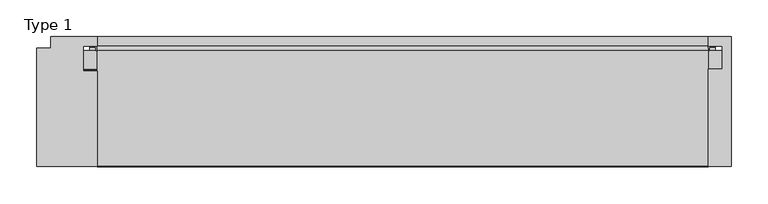
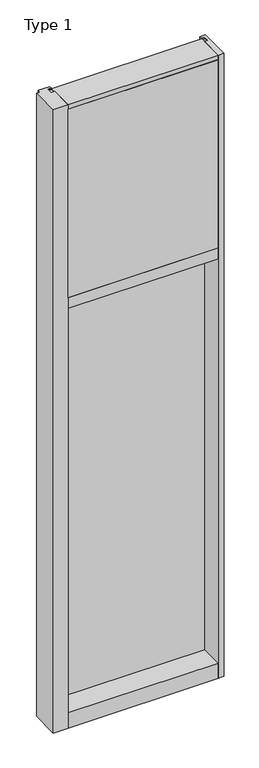
"""IFC4 building model written with IfcOpenShell, lengths in millimetres: plate geometry, Type 1."""

from ifc_helpers import new_model, si_unit, point, frame, frame_2d, origin, place, context, project, spatial, polyline, circle_curve, trimmed, segment, composite_curve, outline, extrude, source, transform, mapped, element, save


def type_1_cfc5b2bd(model_context):
    return source(origin(), model_context, "Body", "SweptSolid", [
        extrude(outline(polyline([(-417.5135892, -130.5814), (-500.0635892, -130.5814), (-500.0635892, 31.3944), (-481.0135892, 31.3944), (-481.0135892, 47.2186), (-417.5135892, 47.2186), (-417.5135892, 34.036), (-436.5635892, 34.036), (-436.5635892, 0.0), (-417.5135892, 0.0), (-417.5135892, -130.5814)])), frame((0.0, 0.0, -57.15), z_axis=(0.0, 0.0, 1.0), x_axis=(1.0, 0.0, 0.0)), (0.0, 0.0, 1.0), 3657.6),
        extrude(outline(polyline([(449.2625, -130.5814), (417.5125, -130.5814), (417.5125, 2.286), (436.5625, 2.286), (436.5625, 34.036), (417.5114108, 34.036), (417.5114108, 47.2186), (449.2625, 47.2186), (449.2625, -130.5814)])), frame((0.0, 0.0, -57.15), z_axis=(0.0, 0.0, 1.0), x_axis=(1.0, 0.0, 0.0)), (0.0, 0.0, 1.0), 3657.6),
        extrude(outline(composite_curve([segment(polyline([(-417.5890008, 34.0361122), (-417.9999462, 27.686), (-418.9664521, 27.686), (-418.9939595, 31.7563748)]), True, "CONTINUOUS"), segment(trimmed(circle_curve(frame_2d((-419.628945, 31.7520836)), 0.635), [point((-418.9939595, 31.7563748))], [point((-419.5938642, 32.3861138))], True, "CARTESIAN"), True, "CONTINUOUS"), segment(polyline([(-419.5938642, 32.3861138), (-426.3492251, 32.7598869)]), True, "CONTINUOUS"), segment(trimmed(circle_curve(frame_2d((-426.1666718, 33.7593519)), 1.016), [point((-426.3492251, 32.7598869))], [point((-427.1442504, 34.0361122))], False, "CARTESIAN"), True, "CONTINUOUS"), segment(polyline([(-427.1442504, 34.0361122), (-417.5890008, 34.0361122)]), True, "CONTINUOUS")], self_intersect=False)), frame((0.0, 0.0, 2459.3728643), z_axis=(0.0, 0.0, 1.0), x_axis=(1.0, 0.0, 0.0)), (0.0, 0.0, 1.0), 1134.7271357),
        extrude(outline(composite_curve([segment(polyline([(417.9999462, 27.686), (417.5890008, 34.0361122), (427.1442504, 34.0361122)]), True, "CONTINUOUS"), segment(trimmed(circle_curve(frame_2d((426.1666718, 33.7593519)), 1.016), [point((427.1442504, 34.0361122))], [point((426.3492251, 32.7598869))], False, "CARTESIAN"), True, "CONTINUOUS"), segment(polyline([(426.3492251, 32.7598869), (419.5938642, 32.3861138)]), True, "CONTINUOUS"), segment(trimmed(circle_curve(frame_2d((419.628945, 31.7520836)), 0.635), [point((419.5938642, 32.3861138))], [point((418.9939595, 31.7563748))], True, "CARTESIAN"), True, "CONTINUOUS"), segment(polyline([(418.9939595, 31.7563748), (418.9664521, 27.686), (417.9999462, 27.686)]), True, "CONTINUOUS")], self_intersect=False)), frame((0.0, 0.0, 2459.3728643), z_axis=(0.0, 0.0, 1.0), x_axis=(1.0, 0.0, 0.0)), (0.0, 0.0, 1.0), 1134.7271357),
        extrude(outline(polyline([(34.0361122, 2459.3728643), (27.686, 2459.3728643), (27.686, 2471.8771952), (34.0361122, 2470.1238955), (34.0361122, 2459.3728643)])), frame((-427.1442504, 0.0, 0.0), z_axis=(1.0, 0.0, 0.0), x_axis=(0.0, 1.0, 0.0)), (0.0, 0.0, 1.0), 854.2885007),
        extrude(outline(polyline([(417.5125, -48.514), (417.5125, -131.0159103), (-417.5125, -131.0159103), (-417.5125, -48.514), (417.5125, -48.514)])), frame((0.0, 0.0, 2470.15), z_axis=(0.0, 0.0, 1.0), x_axis=(1.0, 0.0, 0.0)), (0.0, 0.0, 1.0), 1104.9),
        extrude(outline(polyline([(436.5625, 27.686), (436.5625, 2.286), (-436.5625, 2.286), (-436.5625, 27.686), (436.5625, 27.686)])), frame((0.0, 0.0, 2451.1), z_axis=(0.0, 0.0, 1.0), x_axis=(1.0, 0.0, 0.0)), (0.0, 0.0, 1.0), 1143.0),
        extrude(outline(composite_curve([segment(trimmed(circle_curve(frame_2d((-419.6300342, 31.7520836)), 0.635), [point((-418.9950487, 31.7563748))], [point((-419.5949534, 32.3861138))], True, "CARTESIAN"), True, "CONTINUOUS"), segment(polyline([(-419.5949534, 32.3861138), (-426.3503143, 32.7598869)]), True, "CONTINUOUS"), segment(trimmed(circle_curve(frame_2d((-426.1677611, 33.7593519)), 1.016), [point((-426.3503143, 32.7598869))], [point((-427.1453713, 34.036))], False, "CARTESIAN"), True, "CONTINUOUS"), segment(polyline([(-427.1453713, 34.036), (-417.5900972, 34.036), (-418.0010354, 27.686), (-418.9675413, 27.686), (-418.9950487, 31.7563748)]), True, "CONTINUOUS")], self_intersect=False)), frame((0.0, 0.0, 20.9709644), z_axis=(0.0, 0.0, 1.0), x_axis=(1.0, 0.0, 0.0)), (0.0, 0.0, 1.0), 2396.4580861),
        extrude(outline(composite_curve([segment(polyline([(418.0010354, 27.686), (417.5900972, 34.036), (427.1453713, 34.036)]), True, "CONTINUOUS"), segment(trimmed(circle_curve(frame_2d((426.1677611, 33.7593519)), 1.016), [point((427.1453713, 34.036))], [point((426.3503143, 32.7598869))], False, "CARTESIAN"), True, "CONTINUOUS"), segment(polyline([(426.3503143, 32.7598869), (419.5949534, 32.3861138)]), True, "CONTINUOUS"), segment(trimmed(circle_curve(frame_2d((419.6300342, 31.7520836)), 0.635), [point((419.5949534, 32.3861138))], [point((418.9950487, 31.7563748))], True, "CARTESIAN"), True, "CONTINUOUS"), segment(polyline([(418.9950487, 31.7563748), (418.9675413, 27.686), (418.0010354, 27.686)]), True, "CONTINUOUS")], self_intersect=False)), frame((0.0, 0.0, 20.9709644), z_axis=(0.0, 0.0, 1.0), x_axis=(1.0, 0.0, 0.0)), (0.0, 0.0, 1.0), 2396.4580861),
        extrude(outline(polyline([(436.5635892, 27.686), (436.5635892, 2.286), (-436.5635892, 2.286), (-436.5635892, 27.686), (436.5635892, 27.686)])), frame((0.0, 0.0, 12.6962001), z_axis=(0.0, 0.0, 1.0), x_axis=(1.0, 0.0, 0.0)), (0.0, 0.0, 1.0), 2413.0037999),
        extrude(outline(polyline([(27.686, 33.4752684), (34.036, 31.7219997), (34.036, 20.9709644), (27.686, 20.9709644), (27.686, 33.4752684)])), frame((-427.1453713, 0.0, 0.0), z_axis=(1.0, 0.0, 0.0), x_axis=(0.0, 1.0, 0.0)), (0.0, 0.0, 1.0), 854.2907427),
        extrude(outline(polyline([(27.6860992, 2417.4309356), (34.0360992, 2417.4309356), (34.0360992, 2406.6798775), (27.6860992, 2404.9266088), (27.6860992, 2417.4309356)])), frame((-427.1453713, 0.0, 0.0), z_axis=(1.0, 0.0, 0.0), x_axis=(0.0, 1.0, 0.0)), (0.0, 0.0, 1.0), 854.2907427),
        extrude(outline(polyline([(-130.0734, 3600.45), (27.686, 3600.45), (27.686, 3594.1), (0.0, 3594.1), (0.0, 3575.051832), (-130.0734, 3575.051832), (-130.0734, 3600.45)])), frame((-417.5125, 0.0, 0.0), z_axis=(1.0, 0.0, 0.0), x_axis=(0.0, 1.0, 0.0)), (0.0, 0.0, 1.0), 835.025),
        extrude(outline(polyline([(0.0, 2470.15), (0.0, 2451.1), (34.13125, 2451.1), (34.13125, 2470.1462001), (47.2186445, 2470.1462001), (47.2186445, 2406.6462001), (34.13125, 2406.6462001), (34.13125, 2425.7), (0.0, 2425.7), (0.0, 2406.65), (-130.175, 2406.65), (-130.175, 2470.15), (0.0, 2470.15)])), frame((-417.5125, 0.0, 0.0), z_axis=(1.0, 0.0, 0.0), x_axis=(0.0, 1.0, 0.0)), (0.0, 0.0, 1.0), 835.025),
        extrude(outline(polyline([(0.0, 31.75), (0.0, 12.7), (34.13125, 12.7), (34.13125, 31.751832), (47.2186148, 31.751832), (47.2186148, -57.15), (-130.175, -57.15), (-130.175, 31.75), (0.0, 31.75)])), frame((-417.5125, 0.0, 0.0), z_axis=(1.0, 0.0, 0.0), x_axis=(0.0, 1.0, 0.0)), (0.0, 0.0, 1.0), 835.025),
    ])


if __name__ == "__main__":
    model = new_model("IFC4")
    model_context = context("Model", 3, world=origin())
    ifc_project = project(units=[si_unit("LENGTHUNIT", "METRE", prefix="MILLI")], contexts=[model_context])
    site = spatial("IfcSite", under=ifc_project)
    building = spatial("IfcBuilding", under=site)
    placement = place(None, origin())
    type_1_shape = type_1_cfc5b2bd(model_context)
    element("IfcPlate", 1, ObjectType="Type 1", at=placement, inside=building, context=model_context, shape_type="MappedRepresentation", body=[
        mapped(type_1_shape, transform((0.0, 0.0, 0.0), x_axis=(1.0, 0.0, 0.0), y_axis=(0.0, 1.0, 0.0), z_axis=(0.0, 0.0, 1.0))),
    ])
    save(model, "model.ifc")
